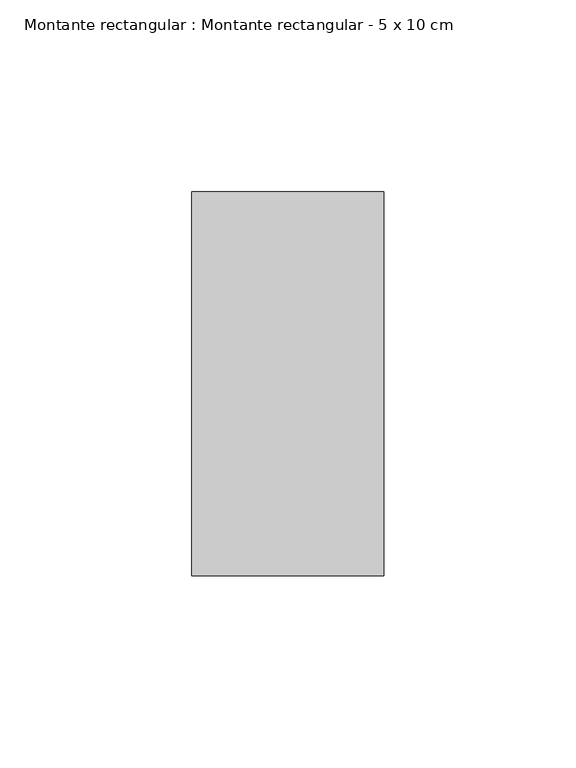
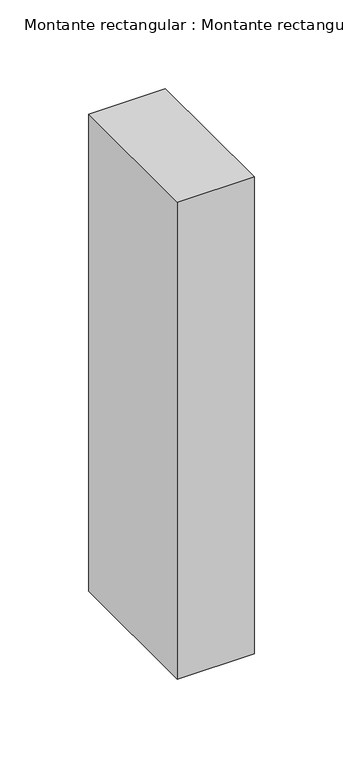
"""IFC4 building model written with IfcOpenShell, lengths in millimetres: member geometry, Montante rectangular : Montante rectangular - 5 x 10 cm."""

from ifc_helpers import new_model, si_unit, frame, origin, place, context, project, spatial, polyline, outline, extrude, source, transform, mapped, element, save


def montante_rectangular_montante_rectangular_5_x_10_cm_a66ed94f(model_context):
    return source(origin(), model_context, "Body", "SweptSolid", [
        extrude(outline(polyline([(25.0, 50.0), (25.0, -50.0), (-25.0, -50.0), (-25.0, 50.0), (25.0, 50.0)])), frame((0.0, 0.0, -328.3333333), z_axis=(0.0, 0.0, 1.0), x_axis=(1.0, 0.0, 0.0)), (0.0, 0.0, 1.0), 328.3333333),
    ])


if __name__ == "__main__":
    model = new_model("IFC4")
    model_context = context("Model", 3, world=origin())
    ifc_project = project(units=[si_unit("LENGTHUNIT", "METRE", prefix="MILLI")], contexts=[model_context])
    site = spatial("IfcSite", under=ifc_project)
    building = spatial("IfcBuilding", under=site)
    placement = place(None, origin())
    montante_rectangular_montante_rectangular_5_x_10_cm_shape = montante_rectangular_montante_rectangular_5_x_10_cm_a66ed94f(model_context)
    element("IfcMember", 1, ObjectType="Montante rectangular : Montante rectangular - 5 x 10 cm", at=placement, inside=building, context=model_context, shape_type="MappedRepresentation", body=[
        mapped(montante_rectangular_montante_rectangular_5_x_10_cm_shape, transform((0.0, 0.0, 0.0), x_axis=(1.0, 0.0, 0.0), y_axis=(0.0, 1.0, 0.0), z_axis=(0.0, 0.0, 1.0))),
    ])
    save(model, "model.ifc")
